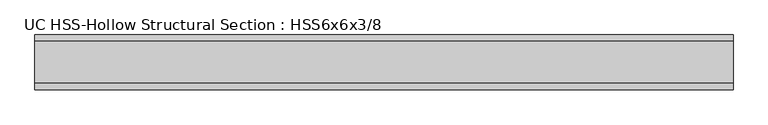
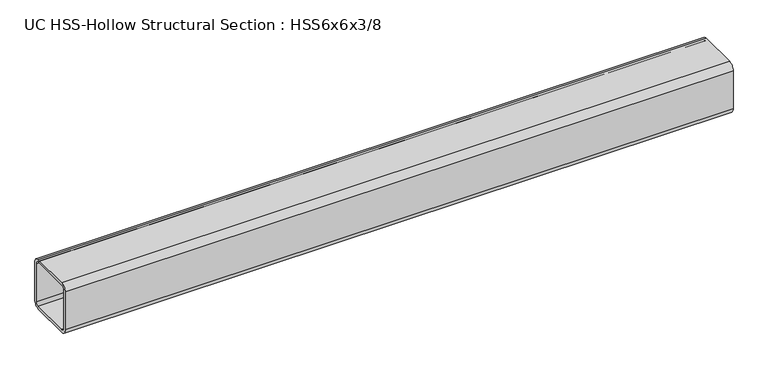
"""IFC4 building model written with IfcOpenShell, lengths in millimetres: beam geometry, UC HSS-Hollow Structural Section : HSS6x6x3/8."""

from ifc_helpers import new_model, si_unit, point, frame, frame_2d, origin, place, context, project, spatial, polyline, circle_curve, trimmed, segment, composite_curve, outline, extrude, source, transform, mapped, element, save


def uc_hss_hollow_structural_section_hss6x6x3_8_49e08d57(model_context):
    return source(origin(), model_context, "Body", "SweptSolid", [
        extrude(outline(composite_curve([segment(trimmed(circle_curve(frame_2d((-58.4708, 58.4708)), 17.7292), [point((-76.2, 58.4708))], [point((-58.4708, 76.2))], False, "CARTESIAN"), True, "CONTINUOUS"), segment(polyline([(-58.4708, 76.2), (58.4708, 76.2)]), True, "CONTINUOUS"), segment(trimmed(circle_curve(frame_2d((58.4708, 58.4708)), 17.7292), [point((58.4708, 76.2))], [point((76.2, 58.4708))], False, "CARTESIAN"), True, "CONTINUOUS"), segment(polyline([(76.2, 58.4708), (76.2, -58.4708)]), True, "CONTINUOUS"), segment(trimmed(circle_curve(frame_2d((58.4708, -58.4708)), 17.7292), [point((76.2, -58.4708))], [point((58.4708, -76.2))], False, "CARTESIAN"), True, "CONTINUOUS"), segment(polyline([(58.4708, -76.2), (-58.4708, -76.2)]), True, "CONTINUOUS"), segment(trimmed(circle_curve(frame_2d((-58.4708, -58.4708)), 17.7292), [point((-58.4708, -76.2))], [point((-76.2, -58.4708))], False, "CARTESIAN"), True, "CONTINUOUS"), segment(polyline([(-76.2, -58.4708), (-76.2, 58.4708)]), True, "CONTINUOUS")], self_intersect=False), holes=[composite_curve([segment(polyline([(58.4708, 67.3354), (-58.4708, 67.3354)]), True, "CONTINUOUS"), segment(trimmed(circle_curve(frame_2d((-58.4708, 58.4708)), 8.8646), [point((-58.4708, 67.3354))], [point((-67.3354, 58.4708))], True, "CARTESIAN"), True, "CONTINUOUS"), segment(polyline([(-67.3354, 58.4708), (-67.3354, -58.4708)]), True, "CONTINUOUS"), segment(trimmed(circle_curve(frame_2d((-58.4708, -58.4708)), 8.8646), [point((-67.3354, -58.4708))], [point((-58.4708, -67.3354))], True, "CARTESIAN"), True, "CONTINUOUS"), segment(polyline([(-58.4708, -67.3354), (58.4708, -67.3354)]), True, "CONTINUOUS"), segment(trimmed(circle_curve(frame_2d((58.4708, -58.4708)), 8.8646), [point((58.4708, -67.3354))], [point((67.3354, -58.4708))], True, "CARTESIAN"), True, "CONTINUOUS"), segment(polyline([(67.3354, -58.4708), (67.3354, 58.4708)]), True, "CONTINUOUS"), segment(trimmed(circle_curve(frame_2d((58.4708, 58.4708)), 8.8646), [point((67.3354, 58.4708))], [point((58.4708, 67.3354))], True, "CARTESIAN"), True, "CONTINUOUS")], self_intersect=False)]), frame((-901.5814964, 0.0, 0.0), z_axis=(1.0, 0.0, 0.0), x_axis=(0.0, 1.0, 0.0)), (0.0, 0.0, 1.0), 1942.2950266),
    ])


if __name__ == "__main__":
    model = new_model("IFC4")
    model_context = context("Model", 3, world=origin())
    ifc_project = project(units=[si_unit("LENGTHUNIT", "METRE", prefix="MILLI")], contexts=[model_context])
    site = spatial("IfcSite", under=ifc_project)
    building = spatial("IfcBuilding", under=site)
    placement = place(None, origin())
    uc_hss_hollow_structural_section_hss6x6x3_8_shape = uc_hss_hollow_structural_section_hss6x6x3_8_49e08d57(model_context)
    element("IfcBeam", 1, ObjectType="UC HSS-Hollow Structural Section : HSS6x6x3/8", at=placement, inside=building, context=model_context, shape_type="MappedRepresentation", body=[
        mapped(uc_hss_hollow_structural_section_hss6x6x3_8_shape, transform((0.0, 0.0, 0.0), x_axis=(1.0, 0.0, 0.0), y_axis=(0.0, 1.0, 0.0), z_axis=(0.0, 0.0, 1.0))),
    ])
    save(model, "model.ifc")
